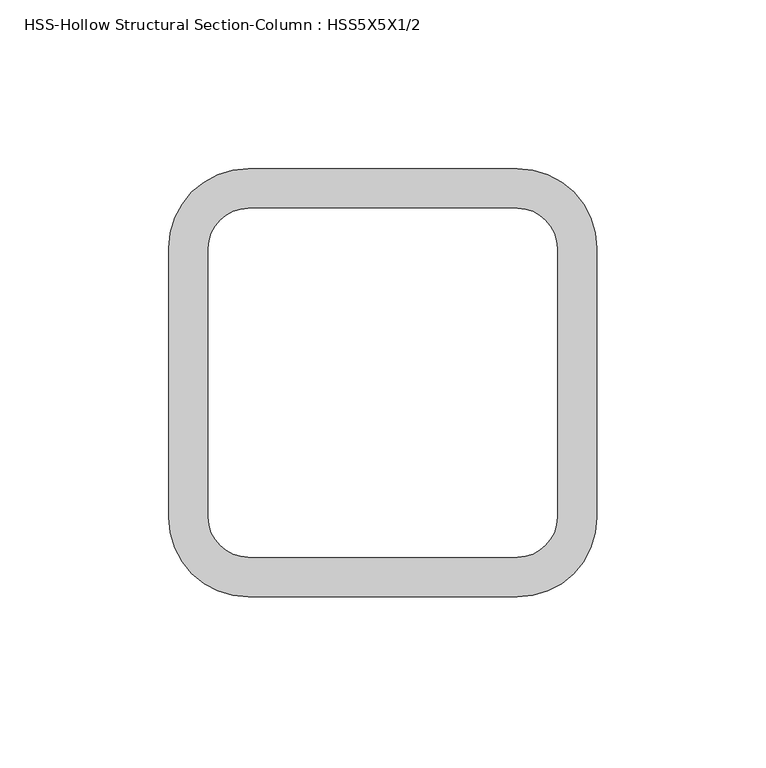
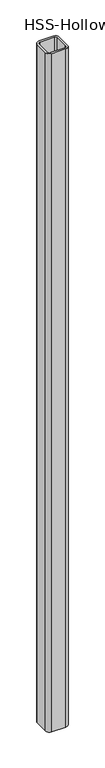
"""IFC4 building model written with IfcOpenShell, lengths in millimetres: column geometry, HSS-Hollow Structural Section-Column : HSS5X5X1/2."""

from ifc_helpers import new_model, si_unit, point, frame, frame_2d, origin, place, context, project, spatial, polyline, circle_curve, trimmed, segment, composite_curve, outline, extrude, source, transform, mapped, element, save


def hss_hollow_structural_section_column_hss5x5x1_2_62f60547(model_context):
    return source(origin(), model_context, "Body", "SweptSolid", [
        extrude(outline(composite_curve([segment(trimmed(circle_curve(frame_2d((39.878, 39.878)), 23.622), [point((39.878, 63.5))], [point((63.5, 39.878))], False, "CARTESIAN"), True, "CONTINUOUS"), segment(polyline([(63.5, 39.878), (63.5, -39.878)]), True, "CONTINUOUS"), segment(trimmed(circle_curve(frame_2d((39.878, -39.878)), 23.622), [point((63.5, -39.878))], [point((39.878, -63.5))], False, "CARTESIAN"), True, "CONTINUOUS"), segment(polyline([(39.878, -63.5), (-39.878, -63.5)]), True, "CONTINUOUS"), segment(trimmed(circle_curve(frame_2d((-39.878, -39.878)), 23.622), [point((-39.878, -63.5))], [point((-63.5, -39.878))], False, "CARTESIAN"), True, "CONTINUOUS"), segment(polyline([(-63.5, -39.878), (-63.5, 39.878)]), True, "CONTINUOUS"), segment(trimmed(circle_curve(frame_2d((-39.878, 39.878)), 23.622), [point((-63.5, 39.878))], [point((-39.878, 63.5))], False, "CARTESIAN"), True, "CONTINUOUS"), segment(polyline([(-39.878, 63.5), (39.878, 63.5)]), True, "CONTINUOUS")], self_intersect=False), holes=[composite_curve([segment(polyline([(39.878, 51.689), (-39.878, 51.689)]), True, "CONTINUOUS"), segment(trimmed(circle_curve(frame_2d((-39.878, 39.878)), 11.811), [point((-39.878, 51.689))], [point((-51.689, 39.878))], True, "CARTESIAN"), True, "CONTINUOUS"), segment(polyline([(-51.689, 39.878), (-51.689, -39.878)]), True, "CONTINUOUS"), segment(trimmed(circle_curve(frame_2d((-39.878, -39.878)), 11.811), [point((-51.689, -39.878))], [point((-39.878, -51.689))], True, "CARTESIAN"), True, "CONTINUOUS"), segment(polyline([(-39.878, -51.689), (39.878, -51.689)]), True, "CONTINUOUS"), segment(trimmed(circle_curve(frame_2d((39.878, -39.878)), 11.811), [point((39.878, -51.689))], [point((51.689, -39.878))], True, "CARTESIAN"), True, "CONTINUOUS"), segment(polyline([(51.689, -39.878), (51.689, 39.878)]), True, "CONTINUOUS"), segment(trimmed(circle_curve(frame_2d((39.878, 39.878)), 11.811), [point((51.689, 39.878))], [point((39.878, 51.689))], True, "CARTESIAN"), True, "CONTINUOUS")], self_intersect=False)]), frame((0.0, 0.0, -203.2), z_axis=(0.0, 0.0, 1.0), x_axis=(1.0, 0.0, 0.0)), (0.0, 0.0, 1.0), 4114.8),
    ])


if __name__ == "__main__":
    model = new_model("IFC4")
    model_context = context("Model", 3, world=origin())
    ifc_project = project(units=[si_unit("LENGTHUNIT", "METRE", prefix="MILLI")], contexts=[model_context])
    site = spatial("IfcSite", under=ifc_project)
    building = spatial("IfcBuilding", under=site)
    placement = place(None, origin())
    hss_hollow_structural_section_column_hss5x5x1_2_shape = hss_hollow_structural_section_column_hss5x5x1_2_62f60547(model_context)
    element("IfcColumn", 1, ObjectType="HSS-Hollow Structural Section-Column : HSS5X5X1/2", at=placement, inside=building, context=model_context, shape_type="MappedRepresentation", body=[
        mapped(hss_hollow_structural_section_column_hss5x5x1_2_shape, transform((0.0, 0.0, 0.0), x_axis=(1.0, 0.0, 0.0), y_axis=(0.0, 1.0, 0.0), z_axis=(0.0, 0.0, 1.0))),
    ])
    save(model, "model.ifc")
